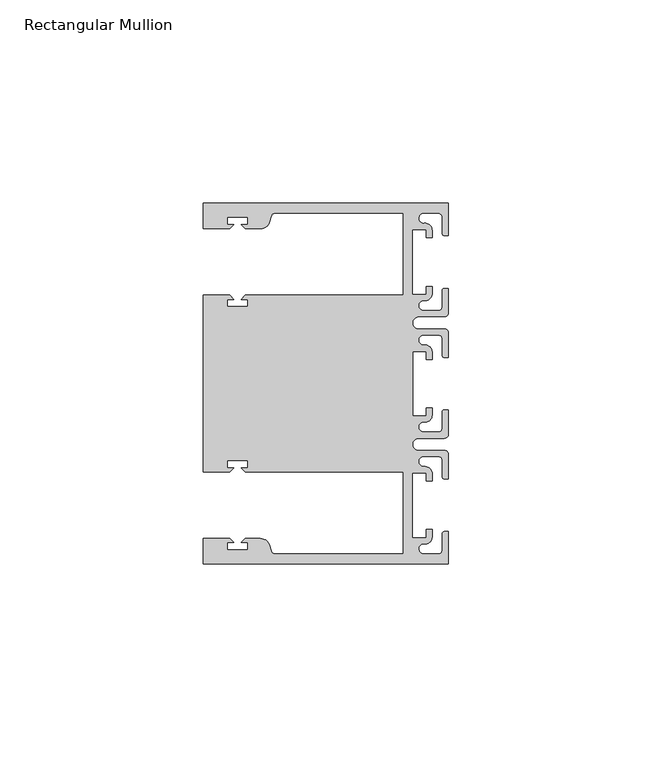
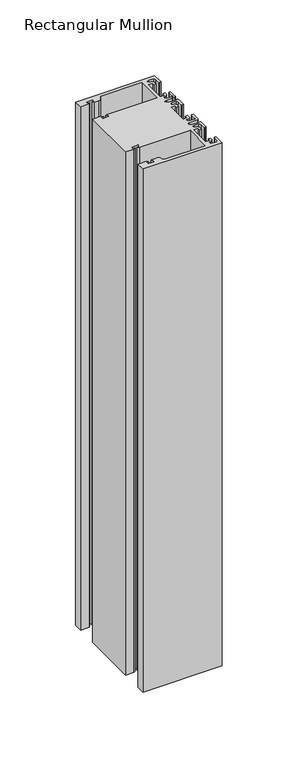
"""IFC4 building model written with IfcOpenShell, lengths in millimetres: member geometry, Rectangular Mullion."""

from ifc_helpers import new_model, si_unit, point, frame, frame_2d, origin, place, context, project, spatial, polyline, circle_curve, trimmed, segment, composite_curve, outline, extrude, source, transform, mapped, element, save


def rectangular_mullion_3ee60c68(model_context):
    return source(origin(), model_context, "Body", "SweptSolid", [
        extrude(outline(composite_curve([segment(polyline([(0.0, -44.45), (-60.3249977, -44.45), (-60.3249977, -38.1499897), (-53.8507531, -38.1499897), (-52.8507405, -39.1500023), (-54.4249778, -39.1500023), (-54.4249778, -40.9498819), (-49.4249831, -40.9498819), (-49.4249831, -39.1500023), (-50.999256, -39.1500023), (-49.9992503, -38.1499966), (-46.3137853, -38.1499966)]), True, "CONTINUOUS"), segment(trimmed(circle_curve(frame_2d((-46.3137853, -40.6499966)), 2.5), [point((-46.3137853, -38.1499966))], [point((-43.8989707, -40.002949))], False, "CARTESIAN"), True, "CONTINUOUS"), segment(polyline([(-43.8989707, -40.002949), (-43.5758588, -41.2088192)]), True, "CONTINUOUS"), segment(trimmed(circle_curve(frame_2d((-42.6099329, -40.9500001)), 1.0), [point((-43.5758588, -41.2088192))], [point((-42.6099329, -41.9500001))], True, "CARTESIAN"), True, "CONTINUOUS"), segment(polyline([(-42.6099329, -41.9500001), (-11.1124977, -41.95), (-11.1124977, -21.7499959), (-49.9992434, -21.7499959), (-50.999256, -20.7499834), (-49.4250186, -20.7499834), (-49.4250186, -18.949936), (-54.4250134, -18.949936), (-54.4250134, -20.7499834), (-52.8507405, -20.7499834), (-53.8507562, -21.749999), (-60.325, -21.749999), (-60.325, 21.749999), (-53.8507562, 21.749999), (-52.8507405, 20.7499834), (-54.4250134, 20.7499834), (-54.4250134, 18.949936), (-49.4250186, 18.949936), (-49.4250186, 20.7499834), (-50.999256, 20.7499834), (-49.9992434, 21.7499959), (-11.1125, 21.7499959), (-11.1125, 41.95), (-42.6099329, 41.95)]), True, "CONTINUOUS"), segment(trimmed(circle_curve(frame_2d((-42.6099329, 40.9500001)), 1.0), [point((-42.6099329, 41.95))], [point((-43.5758588, 41.2088192))], True, "CARTESIAN"), True, "CONTINUOUS"), segment(polyline([(-43.5758588, 41.2088192), (-43.8989707, 40.002949)]), True, "CONTINUOUS"), segment(trimmed(circle_curve(frame_2d((-46.3137853, 40.6499966)), 2.5), [point((-43.8989707, 40.002949))], [point((-46.3137853, 38.1499966))], False, "CARTESIAN"), True, "CONTINUOUS"), segment(polyline([(-46.3137853, 38.1499966), (-49.9992503, 38.1499966), (-50.999256, 39.1500023), (-49.4249831, 39.1500023), (-49.4249831, 40.9498819), (-54.4249778, 40.9498819), (-54.4249778, 39.1500023), (-52.8507405, 39.1500023), (-53.8507531, 38.1499897), (-60.325, 38.1499897), (-60.325, 44.45), (0.0, 44.45), (0.0, 36.4500318), (-1.0, 36.4500318)]), True, "CONTINUOUS"), segment(trimmed(circle_curve(frame_2d((-1.0, 36.9500318)), 0.5), [point((-1.0, 36.4500318))], [point((-1.5, 36.9500318))], False, "CARTESIAN"), True, "CONTINUOUS"), segment(polyline([(-1.5, 36.9500318), (-1.5, 40.95)]), True, "CONTINUOUS"), segment(trimmed(circle_curve(frame_2d((-2.5, 40.95)), 1.0), [point((-1.5, 40.95))], [point((-2.5, 41.95))], True, "CARTESIAN"), True, "CONTINUOUS"), segment(polyline([(-2.5, 41.95), (-6.0499986, 41.95)]), True, "CONTINUOUS"), segment(trimmed(circle_curve(frame_2d((-6.0499986, 40.6999986)), 1.2500014), [point((-6.0499986, 41.95))], [point((-5.9027291, 39.4587029))], True, "CARTESIAN"), True, "CONTINUOUS"), segment(trimmed(circle_curve(frame_2d((-5.7186029, 37.7499972)), 1.7185975), [point((-5.9027291, 39.4587029))], [point((-4.0000054, 37.7499972))], False, "CARTESIAN"), True, "CONTINUOUS"), segment(polyline([(-4.0000054, 37.7499972), (-4.0000054, 35.9500318), (-5.5, 35.9500318), (-5.5, 37.9499972), (-8.8585786, 37.9499972), (-8.8585786, 21.9499956), (-5.5, 21.9499956), (-5.5, 23.9499611), (-3.9999946, 23.9499611), (-3.9999946, 22.0272972)]), True, "CONTINUOUS"), segment(trimmed(circle_curve(frame_2d((-5.7543344, 22.1865598)), 1.761554), [point((-3.9999946, 22.0272972))], [point((-6.0499986, 20.4499956))], False, "CARTESIAN"), True, "CONTINUOUS"), segment(trimmed(circle_curve(frame_2d((-6.0499986, 19.1999942)), 1.2500014), [point((-6.0499986, 20.4499956))], [point((-6.0499986, 17.9499929))], True, "CARTESIAN"), True, "CONTINUOUS"), segment(polyline([(-6.0499986, 17.9499929), (-2.5, 17.9499929)]), True, "CONTINUOUS"), segment(trimmed(circle_curve(frame_2d((-2.5, 18.9499929)), 1.0), [point((-2.5, 17.9499929))], [point((-1.5, 18.9499929))], True, "CARTESIAN"), True, "CONTINUOUS"), segment(polyline([(-1.5, 18.9499929), (-1.5, 22.9499611)]), True, "CONTINUOUS"), segment(trimmed(circle_curve(frame_2d((-1.0, 22.9499611)), 0.5), [point((-1.5, 22.9499611))], [point((-1.0, 23.4499611))], False, "CARTESIAN"), True, "CONTINUOUS"), segment(polyline([(-1.0, 23.4499611), (0.0, 23.4499611), (0.0, 17.4499929)]), True, "CONTINUOUS"), segment(trimmed(circle_curve(frame_2d((-1.0, 17.4499929)), 1.0), [point((0.0, 17.4499929))], [point((-1.0, 16.4499929))], False, "CARTESIAN"), True, "CONTINUOUS"), segment(polyline([(-1.0, 16.4499929), (-7.3, 16.4499929)]), True, "CONTINUOUS"), segment(trimmed(circle_curve(frame_2d((-7.3, 14.9499929)), 1.5), [point((-7.3, 16.4499929))], [point((-7.3046244, 13.45))], True, "CARTESIAN"), True, "CONTINUOUS"), segment(polyline([(-7.3046244, 13.45), (-1.0, 13.45)]), True, "CONTINUOUS"), segment(trimmed(circle_curve(frame_2d((-1.0, 12.45)), 1.0), [point((-1.0, 13.45))], [point((0.0, 12.45))], False, "CARTESIAN"), True, "CONTINUOUS"), segment(polyline([(0.0, 12.45), (0.0, 6.4500354), (-0.9999964, 6.4500354)]), True, "CONTINUOUS"), segment(trimmed(circle_curve(frame_2d((-0.9999964, 6.9500354)), 0.5), [point((-0.9999964, 6.4500354))], [point((-1.4999964, 6.9500354))], False, "CARTESIAN"), True, "CONTINUOUS"), segment(polyline([(-1.4999964, 6.9500354), (-1.4999964, 10.95)]), True, "CONTINUOUS"), segment(trimmed(circle_curve(frame_2d((-2.4999964, 10.95)), 1.0), [point((-1.4999964, 10.95))], [point((-2.4999964, 11.95))], True, "CARTESIAN"), True, "CONTINUOUS"), segment(polyline([(-2.4999964, 11.95), (-6.0499986, 11.95)]), True, "CONTINUOUS"), segment(trimmed(circle_curve(frame_2d((-6.0499986, 10.6999986)), 1.2500014), [point((-6.0499986, 11.95))], [point((-6.0499986, 9.4499972))], True, "CARTESIAN"), True, "CONTINUOUS"), segment(trimmed(circle_curve(frame_2d((-5.7298824, 7.7499972)), 1.729877), [point((-6.0499986, 9.4499972))], [point((-4.0000054, 7.7499972))], False, "CARTESIAN"), True, "CONTINUOUS"), segment(polyline([(-4.0000054, 7.7499972), (-4.0000054, 5.9500318), (-5.5, 5.9500318), (-5.5, 7.9499972), (-8.8, 7.9499972), (-8.8, -7.9499972), (-5.5, -7.9499972), (-5.5, -5.9500318), (-4.0000054, -5.9500318), (-4.0000054, -7.7499972)]), True, "CONTINUOUS"), segment(trimmed(circle_curve(frame_2d((-5.7298824, -7.7499972)), 1.729877), [point((-4.0000054, -7.7499972))], [point((-6.0499986, -9.4499972))], False, "CARTESIAN"), True, "CONTINUOUS"), segment(trimmed(circle_curve(frame_2d((-6.0499986, -10.6999986)), 1.2500014), [point((-6.0499986, -9.4499972))], [point((-6.0499986, -11.95))], True, "CARTESIAN"), True, "CONTINUOUS"), segment(polyline([(-6.0499986, -11.95), (-2.4999964, -11.95)]), True, "CONTINUOUS"), segment(trimmed(circle_curve(frame_2d((-2.4999964, -10.95)), 1.0), [point((-2.4999964, -11.95))], [point((-1.4999964, -10.95))], True, "CARTESIAN"), True, "CONTINUOUS"), segment(polyline([(-1.4999964, -10.95), (-1.4999964, -6.9500354)]), True, "CONTINUOUS"), segment(trimmed(circle_curve(frame_2d((-0.9999964, -6.9500354)), 0.5), [point((-1.4999964, -6.9500354))], [point((-0.9999964, -6.4500354))], False, "CARTESIAN"), True, "CONTINUOUS"), segment(polyline([(-0.9999964, -6.4500354), (0.0, -6.4500354), (0.0, -12.45)]), True, "CONTINUOUS"), segment(trimmed(circle_curve(frame_2d((-1.0, -12.45)), 1.0), [point((0.0, -12.45))], [point((-1.0, -13.45))], False, "CARTESIAN"), True, "CONTINUOUS"), segment(polyline([(-1.0, -13.45), (-7.3046244, -13.45)]), True, "CONTINUOUS"), segment(trimmed(circle_curve(frame_2d((-7.3, -14.9499929)), 1.5), [point((-7.3046244, -13.45))], [point((-7.3, -16.4499929))], True, "CARTESIAN"), True, "CONTINUOUS"), segment(polyline([(-7.3, -16.4499929), (-1.0, -16.4499929)]), True, "CONTINUOUS"), segment(trimmed(circle_curve(frame_2d((-1.0, -17.4499929)), 1.0), [point((-1.0, -16.4499929))], [point((0.0, -17.4499929))], False, "CARTESIAN"), True, "CONTINUOUS"), segment(polyline([(0.0, -17.4499929), (0.0, -23.4499611), (-1.0, -23.4499611)]), True, "CONTINUOUS"), segment(trimmed(circle_curve(frame_2d((-1.0, -22.9499611)), 0.5), [point((-1.0, -23.4499611))], [point((-1.5, -22.9499611))], False, "CARTESIAN"), True, "CONTINUOUS"), segment(polyline([(-1.5, -22.9499611), (-1.5, -18.9499929)]), True, "CONTINUOUS"), segment(trimmed(circle_curve(frame_2d((-2.5, -18.9499929)), 1.0), [point((-1.5, -18.9499929))], [point((-2.5, -17.9499929))], True, "CARTESIAN"), True, "CONTINUOUS"), segment(polyline([(-2.5, -17.9499929), (-6.0499986, -17.9499929)]), True, "CONTINUOUS"), segment(trimmed(circle_curve(frame_2d((-6.0499986, -19.1999942)), 1.2500014), [point((-6.0499986, -17.9499929))], [point((-6.0499986, -20.4499956))], True, "CARTESIAN"), True, "CONTINUOUS"), segment(trimmed(circle_curve(frame_2d((-5.7543344, -22.1865598)), 1.761554), [point((-6.0499986, -20.4499956))], [point((-3.9999946, -22.0272972))], False, "CARTESIAN"), True, "CONTINUOUS"), segment(polyline([(-3.9999946, -22.0272972), (-3.9999946, -23.9499611), (-5.5, -23.9499611), (-5.5, -21.9499956), (-8.8585786, -21.9499956), (-8.8585786, -37.9499972), (-5.5, -37.9499972), (-5.5, -35.9500318), (-4.0000054, -35.9500318), (-4.0000054, -37.7499972)]), True, "CONTINUOUS"), segment(trimmed(circle_curve(frame_2d((-5.7186029, -37.7499972)), 1.7185975), [point((-4.0000054, -37.7499972))], [point((-5.9027291, -39.4587029))], False, "CARTESIAN"), True, "CONTINUOUS"), segment(trimmed(circle_curve(frame_2d((-6.0499986, -40.6999986)), 1.2500014), [point((-5.9027291, -39.4587029))], [point((-6.0499986, -41.95))], True, "CARTESIAN"), True, "CONTINUOUS"), segment(polyline([(-6.0499986, -41.95), (-2.5, -41.95)]), True, "CONTINUOUS"), segment(trimmed(circle_curve(frame_2d((-2.5, -40.95)), 1.0), [point((-2.5, -41.95))], [point((-1.5, -40.95))], True, "CARTESIAN"), True, "CONTINUOUS"), segment(polyline([(-1.5, -40.95), (-1.5, -36.9500318)]), True, "CONTINUOUS"), segment(trimmed(circle_curve(frame_2d((-1.0, -36.9500318)), 0.5), [point((-1.5, -36.9500318))], [point((-1.0, -36.4500318))], False, "CARTESIAN"), True, "CONTINUOUS"), segment(polyline([(-1.0, -36.4500318), (0.0, -36.4500318), (0.0, -44.45)]), True, "CONTINUOUS")], self_intersect=False)), frame((0.0, 0.0, -421.48125), z_axis=(0.0, 0.0, 1.0), x_axis=(1.0, 0.0, 0.0)), (0.0, 0.0, 1.0), 421.48125),
    ])


if __name__ == "__main__":
    model = new_model("IFC4")
    model_context = context("Model", 3, world=origin())
    ifc_project = project(units=[si_unit("LENGTHUNIT", "METRE", prefix="MILLI")], contexts=[model_context])
    site = spatial("IfcSite", under=ifc_project)
    building = spatial("IfcBuilding", under=site)
    placement = place(None, origin())
    rectangular_mullion_shape = rectangular_mullion_3ee60c68(model_context)
    element("IfcMember", 1, ObjectType="Rectangular Mullion", at=placement, inside=building, context=model_context, shape_type="MappedRepresentation", body=[
        mapped(rectangular_mullion_shape, transform((0.0, 0.0, 0.0), x_axis=(1.0, 0.0, 0.0), y_axis=(0.0, 1.0, 0.0), z_axis=(0.0, 0.0, 1.0))),
    ])
    save(model, "model.ifc")
